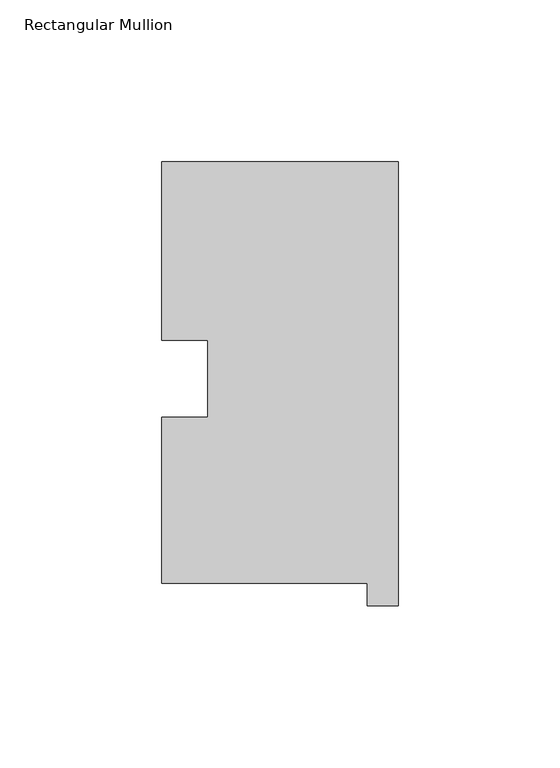
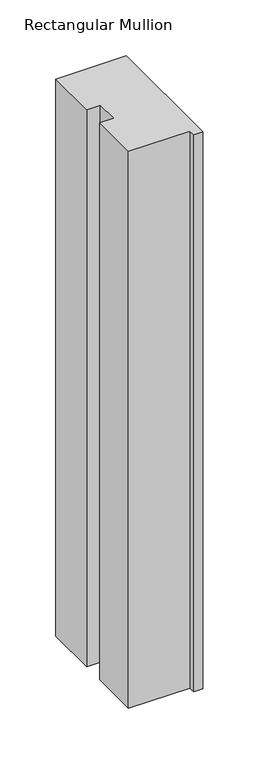
"""IFC4 building model written with IfcOpenShell, lengths in millimetres: member geometry, Rectangular Mullion."""

from ifc_helpers import new_model, si_unit, frame, origin, place, context, project, spatial, polyline, outline, extrude, source, transform, mapped, element, save


def rectangular_mullion_57ac927e(model_context):
    return source(origin(), model_context, "Body", "SweptSolid", [
        extrude(outline(polyline([(-9.525, 0.26035), (-73.025, 0.26035), (-73.025, 51.60645), (-58.785125, 51.60645), (-58.785125, 75.40625), (-73.025, 75.40625), (-73.025, 130.56235), (0.0, 130.56235), (0.0, -6.64845), (-9.525, -6.64845), (-9.525, 0.26035)])), frame((0.0, 0.0, -609.56825), z_axis=(0.0, 0.0, 1.0), x_axis=(1.0, 0.0, 0.0)), (0.0, 0.0, 1.0), 609.56825),
    ])


if __name__ == "__main__":
    model = new_model("IFC4")
    model_context = context("Model", 3, world=origin())
    ifc_project = project(units=[si_unit("LENGTHUNIT", "METRE", prefix="MILLI")], contexts=[model_context])
    site = spatial("IfcSite", under=ifc_project)
    building = spatial("IfcBuilding", under=site)
    placement = place(None, origin())
    rectangular_mullion_shape = rectangular_mullion_57ac927e(model_context)
    element("IfcMember", 1, ObjectType="Rectangular Mullion", at=placement, inside=building, context=model_context, shape_type="MappedRepresentation", body=[
        mapped(rectangular_mullion_shape, transform((0.0, 0.0, 0.0), x_axis=(1.0, 0.0, 0.0), y_axis=(0.0, 1.0, 0.0), z_axis=(0.0, 0.0, 1.0))),
    ])
    save(model, "model.ifc")
